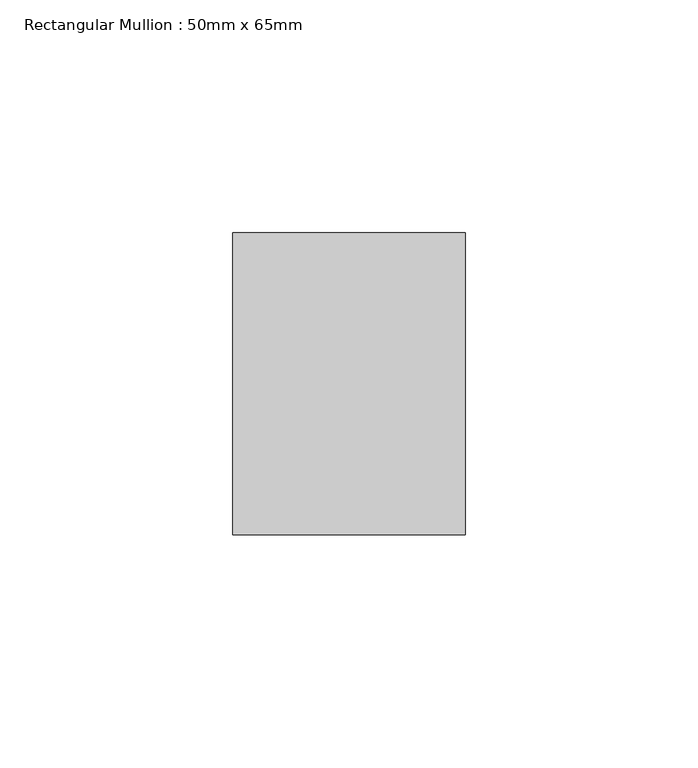
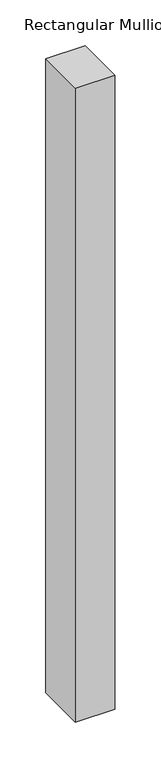
"""IFC4 building model written with IfcOpenShell, lengths in millimetres: member geometry, Rectangular Mullion : 50mm x 65mm."""

from ifc_helpers import new_model, si_unit, frame, origin, place, context, project, spatial, polyline, outline, extrude, source, transform, mapped, element, save


def rectangular_mullion_50mm_x_65mm_05960eaf(model_context):
    return source(origin(), model_context, "Body", "SweptSolid", [
        extrude(outline(polyline([(25.0, 32.5), (25.0, -32.5), (-25.0, -32.5), (-25.0, 32.5), (25.0, 32.5)])), frame((0.0, 0.0, -846.7248309), z_axis=(0.0, 0.0, 1.0), x_axis=(1.0, 0.0, 0.0)), (0.0, 0.0, 1.0), 846.7248309),
    ])


if __name__ == "__main__":
    model = new_model("IFC4")
    model_context = context("Model", 3, world=origin())
    ifc_project = project(units=[si_unit("LENGTHUNIT", "METRE", prefix="MILLI")], contexts=[model_context])
    site = spatial("IfcSite", under=ifc_project)
    building = spatial("IfcBuilding", under=site)
    placement = place(None, origin())
    rectangular_mullion_50mm_x_65mm_shape = rectangular_mullion_50mm_x_65mm_05960eaf(model_context)
    element("IfcMember", 1, ObjectType="Rectangular Mullion : 50mm x 65mm", at=placement, inside=building, context=model_context, shape_type="MappedRepresentation", body=[
        mapped(rectangular_mullion_50mm_x_65mm_shape, transform((0.0, 0.0, 0.0), x_axis=(1.0, 0.0, 0.0), y_axis=(0.0, 1.0, 0.0), z_axis=(0.0, 0.0, 1.0))),
    ])
    save(model, "model.ifc")
